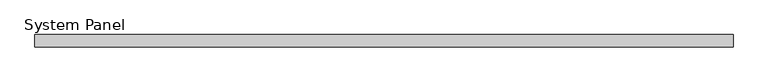
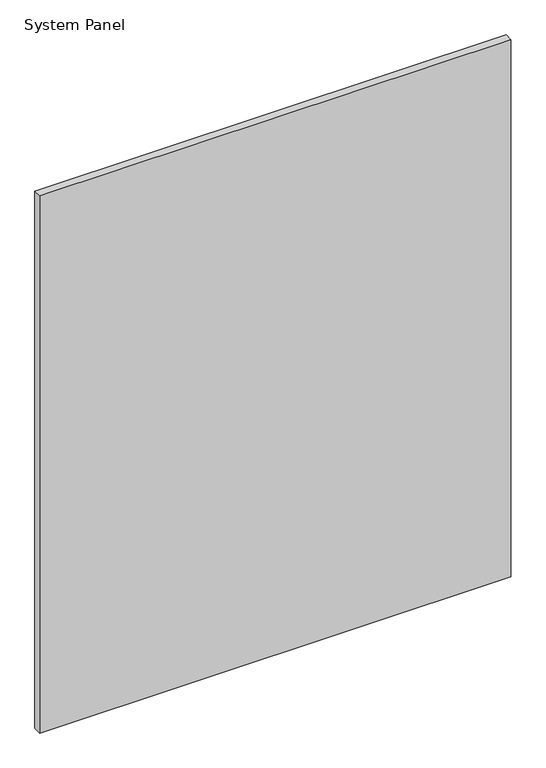
"""IFC4 building model written with IfcOpenShell, lengths in millimetres: plate geometry, System Panel."""

from ifc_helpers import new_model, si_unit, origin, origin_with_axes, place, context, project, spatial, polyline, outline, extrude, source, transform, mapped, element, save


def system_panel_509ba239(model_context):
    return source(origin(), model_context, "Body", "SweptSolid", [
        extrude(outline(polyline([(732.1011624, 44.45), (-732.1011624, 44.45), (-732.1011624, 69.85), (732.1011624, 69.85), (732.1011624, 44.45)])), origin_with_axes(), (0.0, 0.0, 1.0), 1764.8823029),
    ])


if __name__ == "__main__":
    model = new_model("IFC4")
    model_context = context("Model", 3, world=origin())
    ifc_project = project(units=[si_unit("LENGTHUNIT", "METRE", prefix="MILLI")], contexts=[model_context])
    site = spatial("IfcSite", under=ifc_project)
    building = spatial("IfcBuilding", under=site)
    placement = place(None, origin())
    system_panel_shape = system_panel_509ba239(model_context)
    element("IfcPlate", 1, ObjectType="System Panel", at=placement, inside=building, context=model_context, shape_type="MappedRepresentation", body=[
        mapped(system_panel_shape, transform((0.0, 0.0, 0.0), x_axis=(1.0, 0.0, 0.0), y_axis=(0.0, 1.0, 0.0), z_axis=(0.0, 0.0, 1.0))),
    ])
    save(model, "model.ifc")
